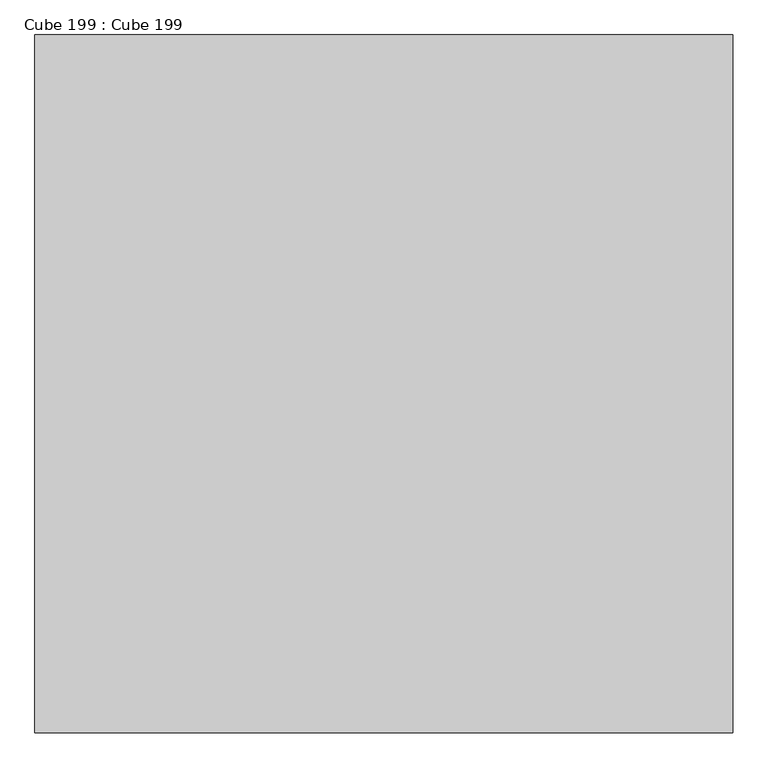
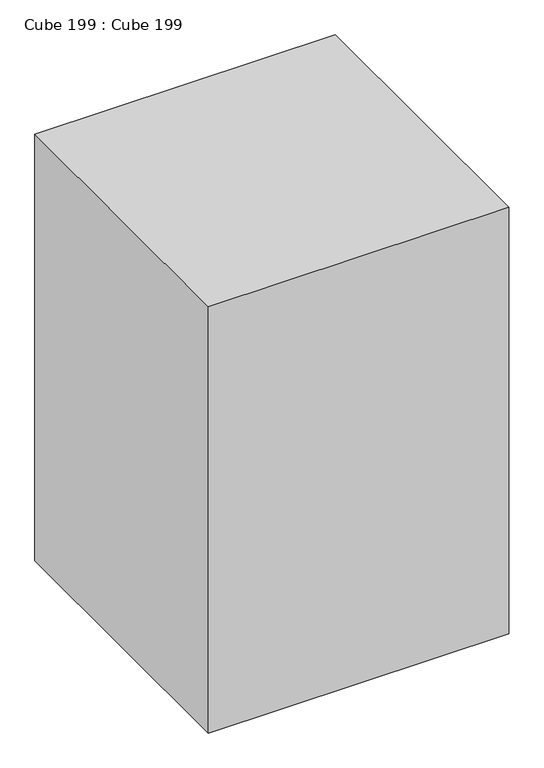
"""IFC4 building model written with IfcOpenShell, lengths in millimetres: proxy geometry, Cube 199 : Cube 199."""

from ifc_helpers import new_model, si_unit, origin, origin_with_axes, place, context, project, spatial, polyline, outline, extrude, source, transform, mapped, element, save


def cube_199_cube_199_d16852c8(model_context):
    return source(origin(), model_context, "Body", "SweptSolid", [
        extrude(outline(polyline([(-12192.0003891, 3657.599926), (-12192.0003891, 0.0), (-15849.6005535, 0.0), (-15849.6005535, 3657.599926), (-12192.0003891, 3657.599926)])), origin_with_axes(), (0.0, 0.0, 1.0), 5486.4),
    ])


if __name__ == "__main__":
    model = new_model("IFC4")
    model_context = context("Model", 3, world=origin())
    ifc_project = project(units=[si_unit("LENGTHUNIT", "METRE", prefix="MILLI")], contexts=[model_context])
    site = spatial("IfcSite", under=ifc_project)
    building = spatial("IfcBuilding", under=site)
    placement = place(None, origin())
    cube_199_cube_199_shape = cube_199_cube_199_d16852c8(model_context)
    element("IfcBuildingElementProxy", 1, Name="Cube 199 : Cube 199", ObjectType="Cube 199 : Cube 199", at=placement, inside=building, context=model_context, shape_type="MappedRepresentation", body=[
        mapped(cube_199_cube_199_shape, transform((0.0, 0.0, 0.0), x_axis=(1.0, 0.0, 0.0), y_axis=(0.0, 1.0, 0.0), z_axis=(0.0, 0.0, 1.0))),
    ])
    save(model, "model.ifc")
